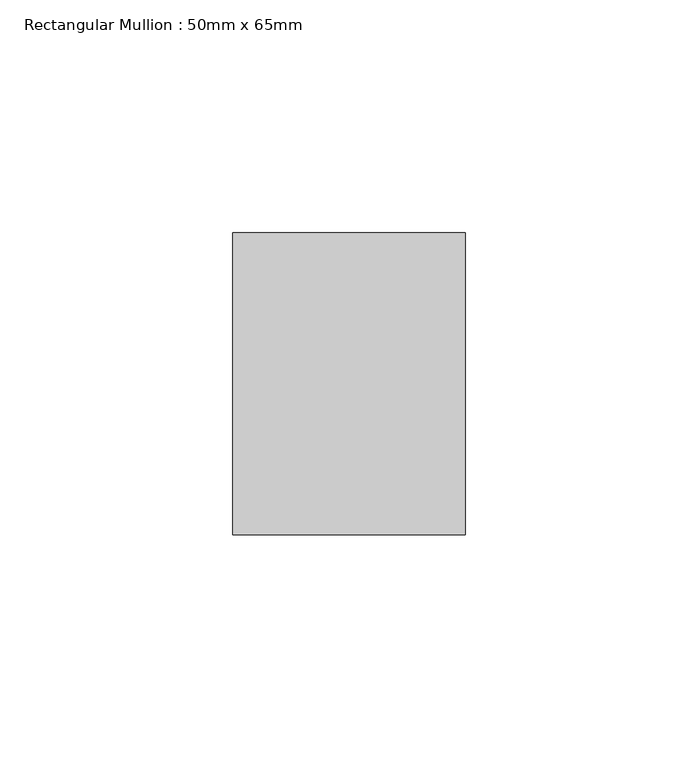
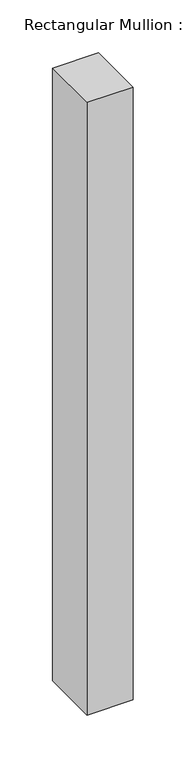
"""IFC4 building model written with IfcOpenShell, lengths in millimetres: member geometry, Rectangular Mullion : 50mm x 65mm."""

from ifc_helpers import new_model, si_unit, frame, origin, place, context, project, spatial, polyline, outline, extrude, source, transform, mapped, element, save


def rectangular_mullion_50mm_x_65mm_92b447cf(model_context):
    return source(origin(), model_context, "Body", "SweptSolid", [
        extrude(outline(polyline([(25.0, 32.5), (25.0, -32.5), (-25.0, -32.5), (-25.0, 32.5), (25.0, 32.5)])), frame((0.0, 0.0, -705.772649), z_axis=(0.0, 0.0, 1.0), x_axis=(1.0, 0.0, 0.0)), (0.0, 0.0, 1.0), 705.772649),
    ])


if __name__ == "__main__":
    model = new_model("IFC4")
    model_context = context("Model", 3, world=origin())
    ifc_project = project(units=[si_unit("LENGTHUNIT", "METRE", prefix="MILLI")], contexts=[model_context])
    site = spatial("IfcSite", under=ifc_project)
    building = spatial("IfcBuilding", under=site)
    placement = place(None, origin())
    rectangular_mullion_50mm_x_65mm_shape = rectangular_mullion_50mm_x_65mm_92b447cf(model_context)
    element("IfcMember", 1, ObjectType="Rectangular Mullion : 50mm x 65mm", at=placement, inside=building, context=model_context, shape_type="MappedRepresentation", body=[
        mapped(rectangular_mullion_50mm_x_65mm_shape, transform((0.0, 0.0, 0.0), x_axis=(1.0, 0.0, 0.0), y_axis=(0.0, 1.0, 0.0), z_axis=(0.0, 0.0, 1.0))),
    ])
    save(model, "model.ifc")
